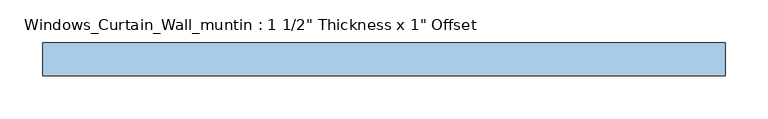
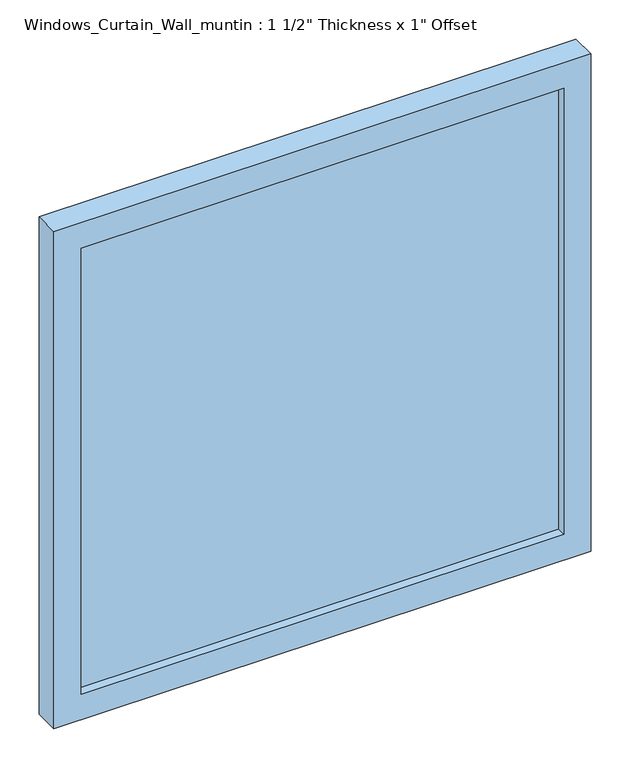
"""IFC4 building model written with IfcOpenShell, lengths in millimetres: window geometry."""

from ifc_helpers import new_model, si_unit, frame, origin, place, context, project, spatial, polyline, outline, extrude, source, transform, mapped, element, save


def window_1bb5384d(model_context):
    return source(origin(), model_context, "Body", "SweptSolid", [
        extrude(outline(polyline([(776.8166667, -396.875), (0.0, -396.875), (0.0, 396.875), (776.8166667, 396.875), (776.8166667, -396.875)]), holes=[polyline([(736.8166667, -356.875), (736.8166667, 356.875), (40.0, 356.875), (40.0, -356.875), (736.8166667, -356.875)])]), frame((0.0, -12.7, 0.0), z_axis=(0.0, 1.0, 0.0), x_axis=(0.0, 0.0, 1.0)), (0.0, 0.0, 1.0), 38.1),
        extrude(outline(polyline([(356.875, 0.35), (-356.875, 0.35), (-356.875, 12.35), (356.875, 12.35), (356.875, 0.35)])), frame((0.0, 0.0, 40.0), z_axis=(0.0, 0.0, 1.0), x_axis=(1.0, 0.0, 0.0)), (0.0, 0.0, 1.0), 696.8166667),
    ])


if __name__ == "__main__":
    model = new_model("IFC4")
    model_context = context("Model", 3, world=origin())
    ifc_project = project(units=[si_unit("LENGTHUNIT", "METRE", prefix="MILLI")], contexts=[model_context])
    site = spatial("IfcSite", under=ifc_project)
    building = spatial("IfcBuilding", under=site)
    placement = place(None, origin())
    window_shape = window_1bb5384d(model_context)
    element("IfcWindow", 1, ObjectType="Windows_Curtain_Wall_muntin : 1 1/2\" Thickness x 1\" Offset", at=placement, inside=building, context=model_context, shape_type="MappedRepresentation", body=[
        mapped(window_shape, transform((0.0, 0.0, 0.0), x_axis=(1.0, 0.0, 0.0), y_axis=(0.0, 1.0, 0.0), z_axis=(0.0, 0.0, 1.0))),
    ])
    save(model, "model.ifc")
